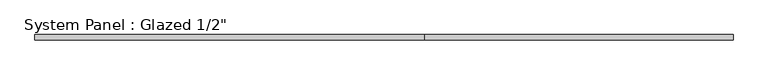
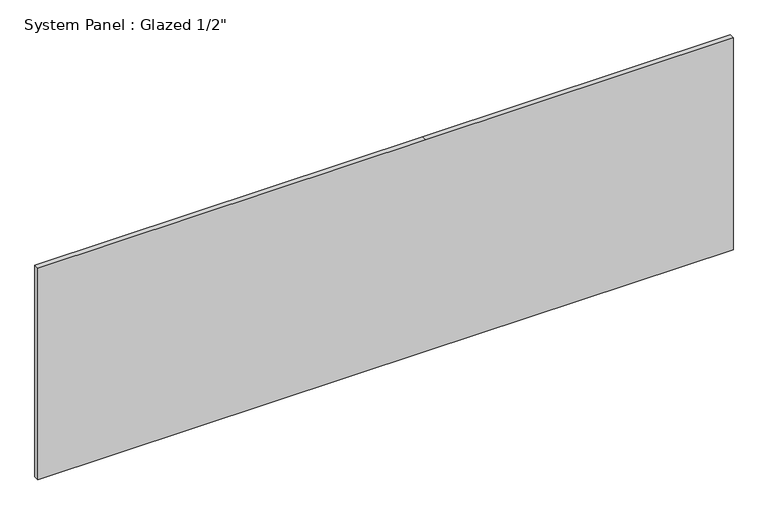
"""IFC4 building model written with IfcOpenShell, lengths in millimetres: plate geometry."""

from ifc_helpers import new_model, si_unit, frame, origin, place, context, project, spatial, polyline, outline, extrude, source, transform, mapped, element, save


def plate_31864261(model_context):
    return source(origin(), model_context, "Body", "SweptSolid", [
        extrude(outline(polyline([(0.0, -847.725), (0.0, 98.425), (0.0, 847.725), (546.1, 847.725), (546.1, 98.425), (546.1, -847.725), (0.0, -847.725)])), frame((0.0, -6.35, 0.0), z_axis=(0.0, 1.0, 0.0), x_axis=(0.0, 0.0, 1.0)), (0.0, 0.0, 1.0), 12.7),
    ])


if __name__ == "__main__":
    model = new_model("IFC4")
    model_context = context("Model", 3, world=origin())
    ifc_project = project(units=[si_unit("LENGTHUNIT", "METRE", prefix="MILLI")], contexts=[model_context])
    site = spatial("IfcSite", under=ifc_project)
    building = spatial("IfcBuilding", under=site)
    placement = place(None, origin())
    plate_shape = plate_31864261(model_context)
    element("IfcPlate", 1, ObjectType="System Panel : Glazed 1/2\"", at=placement, inside=building, context=model_context, shape_type="MappedRepresentation", body=[
        mapped(plate_shape, transform((0.0, 0.0, 0.0), x_axis=(1.0, 0.0, 0.0), y_axis=(0.0, 1.0, 0.0), z_axis=(0.0, 0.0, 1.0))),
    ])
    save(model, "model.ifc")
